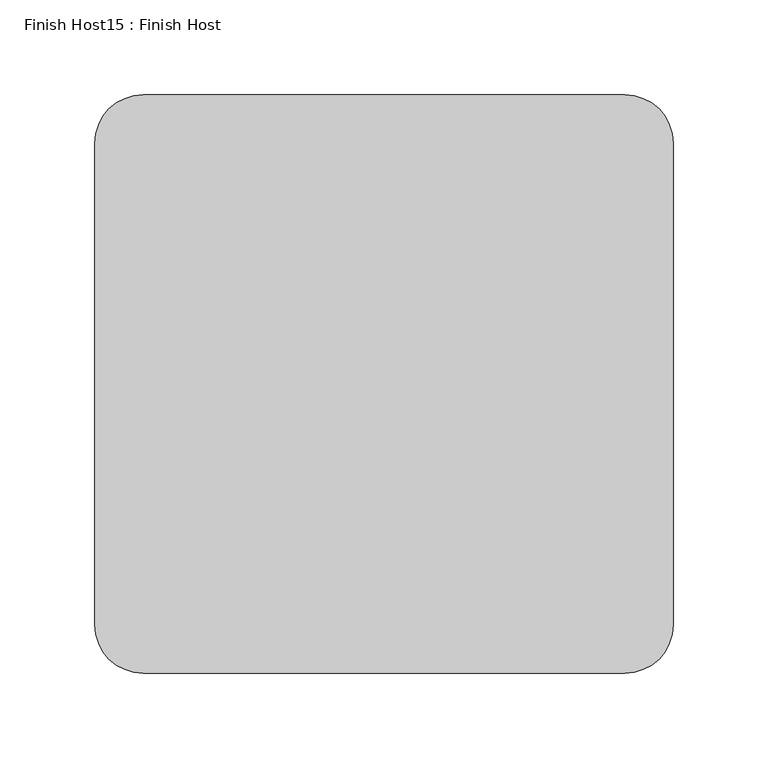
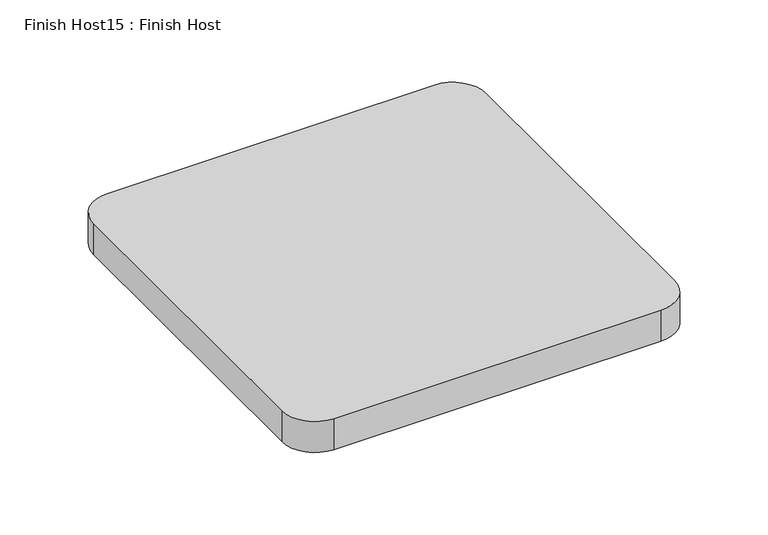
"""IFC4 building model written with IfcOpenShell, lengths in millimetres: proxy geometry, Finish Host15 : Finish Host."""

import ifcopenshell
import ifcopenshell.guid

model = None  # the IFC model being written
_history = None  # IfcOwnerHistory: only IFC2X3 demands one
_inside = {}  # id of a spatial element -> (the spatial element, [elements in it])
_under = {}  # id of a project, library or spatial element -> (it, [spatial elements below it])
_declared = {}  # id of a project -> (the project, [libraries it declares])
_typed = {}  # id of a type object -> (the type object, [elements of that type])
_made_of = {}  # id of a material, layer set ... -> (it, [elements and type objects made of it])


def new_model(schema):
    """Start an empty IFC model of exactly this schema.

    Asked for "IFC4X3", IfcOpenShell would pick the latest addendum, in which some entities
    have other attributes; the version numbers below select the first issue.
    IFC2X3 requires an IfcOwnerHistory on every rooted entity: one is made here for all.
    """
    global model, _history
    if schema == "IFC4X3":
        model = ifcopenshell.file(schema_version=(4, 3, 0, 0))
    else:
        model = ifcopenshell.file(schema=schema)
    _inside.clear()
    _under.clear()
    _declared.clear()
    _typed.clear()
    _made_of.clear()
    _history = None
    if model.schema == "IFC2X3":
        org = make("IfcOrganization", Name="unknown")
        user = make(
            "IfcPersonAndOrganization",
            ThePerson=make("IfcPerson", FamilyName="unknown"),
            TheOrganization=org,
        )
        app = make(
            "IfcApplication",
            ApplicationDeveloper=org,
            Version="unknown",
            ApplicationFullName="unknown",
            ApplicationIdentifier="unknown",
        )
        _history = make(
            "IfcOwnerHistory",
            OwningUser=user,
            OwningApplication=app,
            ChangeAction="ADDED",
            CreationDate=0,
        )
    return model


def make(cls, **values):
    """One entity of the class cls with the attributes given. An attribute that is None is left unset."""
    return model.create_entity(
        cls, **{name: value for name, value in values.items() if value is not None}
    )


def rooted(cls, **values):
    """An entity with a GlobalId (a new one), such as an element, a storey or a relation."""
    return make(cls, GlobalId=ifcopenshell.guid.new(), OwnerHistory=_history, **values)


def si_unit(unit_type, name, prefix=None):
    """IfcSIUnit, for example si_unit("LENGTHUNIT", "METRE", prefix="MILLI")."""
    return make("IfcSIUnit", UnitType=unit_type, Prefix=prefix, Name=name)


def assignment(units):
    """IfcUnitAssignment: the units of a project."""
    return None if units is None else make("IfcUnitAssignment", Units=units)


def point(xyz):
    """IfcCartesianPoint."""
    return None if xyz is None else make("IfcCartesianPoint", Coordinates=xyz)


def direction(xyz):
    """IfcDirection."""
    return None if xyz is None else make("IfcDirection", DirectionRatios=xyz)


def frame(location, z_axis=None, x_axis=None):
    """IfcAxis2Placement3D, a coordinate frame: its origin and axes. An axis left out is left unset."""
    return make(
        "IfcAxis2Placement3D",
        Location=point(location),
        Axis=direction(z_axis),
        RefDirection=direction(x_axis),
    )


def frame_2d(location, x_axis=None):
    """IfcAxis2Placement2D, a coordinate frame in the plane: its origin and x axis."""
    return make(
        "IfcAxis2Placement2D", Location=point(location), RefDirection=direction(x_axis)
    )


def origin():
    """The frame at (0, 0, 0) with its axes left unset."""
    return frame((0.0, 0.0, 0.0))


def origin_with_axes():
    """The frame at (0, 0, 0) with the z axis (0, 0, 1) and the x axis (1, 0, 0) written out."""
    return frame((0.0, 0.0, 0.0), z_axis=(0.0, 0.0, 1.0), x_axis=(1.0, 0.0, 0.0))


def place(relative_to, where):
    """IfcLocalPlacement: puts the frame where relative to a parent placement (None: the world)."""
    return make(
        "IfcLocalPlacement", PlacementRelTo=relative_to, RelativePlacement=where
    )


def context(
    kind, dimensions, precision=None, world=None, true_north=None, identifier=None
):
    """IfcGeometricRepresentationContext, for example the 3D "Model" context."""
    return make(
        "IfcGeometricRepresentationContext",
        ContextIdentifier=identifier,
        ContextType=kind,
        CoordinateSpaceDimension=dimensions,
        Precision=precision,
        WorldCoordinateSystem=world,
        TrueNorth=true_north,
    )


def project(units=None, contexts=None):
    """IfcProject with its units and contexts."""
    return rooted(
        "IfcProject",
        Name="project",
        RepresentationContexts=contexts,
        UnitsInContext=assignment(units),
    )


def spatial(cls, under=None, at=None, **own):
    """A site, building, storey or space (cls), placed at a placement, below another one or the project."""
    s = rooted(cls, ObjectPlacement=at, **own)
    if under is not None:
        _under.setdefault(under.id(), (under, []))[1].append(s)
    return s


def polyline(points):
    """IfcPolyline through the points."""
    return make("IfcPolyline", Points=[point(p) for p in points])


def circle_curve(where, radius):
    """IfcCircle in the frame where."""
    return make("IfcCircle", Position=where, Radius=radius)


def trimmed(basis, trim1, trim2, sense, master):
    """IfcTrimmedCurve: the piece of a basis curve between two trims."""
    return make(
        "IfcTrimmedCurve",
        BasisCurve=basis,
        Trim1=trim1,
        Trim2=trim2,
        SenseAgreement=sense,
        MasterRepresentation=master,
    )


def segment(curve, same_sense, transition):
    """IfcCompositeCurveSegment."""
    return make(
        "IfcCompositeCurveSegment",
        Transition=transition,
        SameSense=same_sense,
        ParentCurve=curve,
    )


def composite_curve(segments, self_intersect=None):
    """IfcCompositeCurve: segments joined end to end."""
    return make("IfcCompositeCurve", Segments=segments, SelfIntersect=self_intersect)


def outline(outer, holes=None, kind="AREA"):
    """IfcArbitraryClosedProfileDef: a profile drawn as a closed curve; with holes, ...WithVoids."""
    if holes is None:
        return make("IfcArbitraryClosedProfileDef", ProfileType=kind, OuterCurve=outer)
    return make(
        "IfcArbitraryProfileDefWithVoids",
        ProfileType=kind,
        OuterCurve=outer,
        InnerCurves=holes,
    )


def extrude(swept, where, along, depth):
    """IfcExtrudedAreaSolid: the profile swept, set in the frame where, extruded along a direction by depth."""
    return make(
        "IfcExtrudedAreaSolid",
        SweptArea=swept,
        Position=where,
        ExtrudedDirection=direction(along),
        Depth=depth,
    )


def shape(context_of_items, identifier, shape_type, items):
    """IfcShapeRepresentation: the items that make up one representation, for example the "Body"."""
    return make(
        "IfcShapeRepresentation",
        ContextOfItems=context_of_items,
        RepresentationIdentifier=identifier,
        RepresentationType=shape_type,
        Items=items,
    )


def source(mapping_origin, context_of_items, identifier, shape_type, items):
    """IfcRepresentationMap: a shape defined once, which mapped items show again and again."""
    return make(
        "IfcRepresentationMap",
        MappingOrigin=mapping_origin,
        MappedRepresentation=shape(context_of_items, identifier, shape_type, items),
    )


def transform(
    local_origin,
    x_axis=None,
    y_axis=None,
    z_axis=None,
    scale=None,
    scale2=None,
    scale3=None,
    uniform=True,
):
    """IfcCartesianTransformationOperator3D, or its non-uniform kind. x_axis, y_axis, z_axis: its Axis1, 2, 3."""
    if uniform:
        return make(
            "IfcCartesianTransformationOperator3D",
            Axis1=direction(x_axis),
            Axis2=direction(y_axis),
            LocalOrigin=point(local_origin),
            Scale=scale,
            Axis3=direction(z_axis),
        )
    return make(
        "IfcCartesianTransformationOperator3DnonUniform",
        Axis1=direction(x_axis),
        Axis2=direction(y_axis),
        LocalOrigin=point(local_origin),
        Scale=scale,
        Axis3=direction(z_axis),
        Scale2=scale2,
        Scale3=scale3,
    )


def mapped(mapping_source, mapping_target):
    """IfcMappedItem: shows the shape of a source again, moved by a transform."""
    return make(
        "IfcMappedItem", MappingSource=mapping_source, MappingTarget=mapping_target
    )


def made_of(thing, what):
    """Note that an element or type object is made of a material, layer set ...; save() writes the relation."""
    if what is not None:
        _made_of.setdefault(what.id(), (what, []))[1].append(thing)
    return thing


def element(
    cls,
    number,
    at=None,
    inside=None,
    cuts=None,
    type_object=None,
    material=None,
    context=None,
    identifier="Body",
    shape_type=None,
    held_by="IfcProductDefinitionShape",
    body=None,
    shapes=None,
    **own,
):
    """One element of the class cls, such as IfcWall. Its Tag is "e" and its number.

    at: its placement. inside: the storey or other place that contains it. cuts: it is an
    opening in that element (IfcRelVoidsElement). A single representation is given by context,
    identifier, shape_type and body (its items); several are given by shapes. held_by: the class
    of the entity that holds the representations. save() writes the other relations.
    """
    e = rooted(cls, Tag="e%d" % number, ObjectPlacement=at, **own)
    if body is not None:
        shapes = [shape(context, identifier, shape_type, body)]
    if shapes is not None:
        e.Representation = make(held_by, Representations=shapes)
    if inside is not None:
        _inside.setdefault(inside.id(), (inside, []))[1].append(e)
    if cuts is not None:
        rooted(
            "IfcRelVoidsElement", RelatingBuildingElement=cuts, RelatedOpeningElement=e
        )
    if type_object is not None:
        _typed.setdefault(type_object.id(), (type_object, []))[1].append(e)
    return made_of(e, material)


def aggregate(whole, parts):
    """IfcRelAggregates: a whole, such as a stair, and the parts it consists of."""
    return rooted("IfcRelAggregates", RelatingObject=whole, RelatedObjects=parts)


def save(model, path):
    """Write the relations noted so far, then the file.

    IfcRelAggregates (storeys below a building ...), IfcRelContainedInSpatialStructure (elements
    in a storey), IfcRelDefinesByType, IfcRelAssociatesMaterial and IfcRelDeclares: one each for
    every whole, place, type object, material and project.
    """
    for whole, parts in _under.values():
        aggregate(whole, parts)
    for where, things in _inside.values():
        rooted(
            "IfcRelContainedInSpatialStructure",
            RelatedElements=things,
            RelatingStructure=where,
        )
    for kind, things in _typed.values():
        rooted("IfcRelDefinesByType", RelatedObjects=things, RelatingType=kind)
    for what, things in _made_of.values():
        rooted("IfcRelAssociatesMaterial", RelatedObjects=things, RelatingMaterial=what)
    for by, libraries in _declared.values():
        rooted("IfcRelDeclares", RelatingContext=by, RelatedDefinitions=libraries)
    model.write(path)


def finish_host15_finish_host_5658b52d(model_context):
    return source(origin(), model_context, "Body", "SweptSolid", [
        extrude(outline(composite_curve([segment(polyline([(8048.7478493, 1206.8122951), (8048.7478493, 1460.8122951)]), True, "CONTINUOUS"), segment(trimmed(circle_curve(frame_2d((8074.1478493, 1460.8122951)), 25.4), [point((8048.7478493, 1460.8122951))], [point((8074.1478493, 1486.2122951))], False, "CARTESIAN"), True, "CONTINUOUS"), segment(polyline([(8074.1478493, 1486.2122951), (8328.1478493, 1486.2122951)]), True, "CONTINUOUS"), segment(trimmed(circle_curve(frame_2d((8328.1478493, 1460.8122951)), 25.4), [point((8328.1478493, 1486.2122951))], [point((8353.5478493, 1460.8122951))], False, "CARTESIAN"), True, "CONTINUOUS"), segment(polyline([(8353.5478493, 1460.8122951), (8353.5478493, 1206.8122951)]), True, "CONTINUOUS"), segment(trimmed(circle_curve(frame_2d((8328.1478493, 1206.8122951)), 25.4), [point((8353.5478493, 1206.8122951))], [point((8328.1478493, 1181.4122951))], False, "CARTESIAN"), True, "CONTINUOUS"), segment(polyline([(8328.1478493, 1181.4122951), (8074.1478493, 1181.4122951)]), True, "CONTINUOUS"), segment(trimmed(circle_curve(frame_2d((8074.1478493, 1206.8122951)), 25.4), [point((8074.1478493, 1181.4122951))], [point((8048.7478493, 1206.8122951))], False, "CARTESIAN"), True, "CONTINUOUS")], self_intersect=False)), origin_with_axes(), (0.0, 0.0, 1.0), 25.4),
    ])


if __name__ == "__main__":
    model = new_model("IFC4")
    model_context = context("Model", 3, world=origin())
    ifc_project = project(units=[si_unit("LENGTHUNIT", "METRE", prefix="MILLI")], contexts=[model_context])
    site = spatial("IfcSite", under=ifc_project)
    building = spatial("IfcBuilding", under=site)
    placement = place(None, origin())
    finish_host15_finish_host_shape = finish_host15_finish_host_5658b52d(model_context)
    element("IfcBuildingElementProxy", 1, Name="Finish Host15 : Finish Host", ObjectType="Finish Host15 : Finish Host", at=placement, inside=building, context=model_context, shape_type="MappedRepresentation", body=[
        mapped(finish_host15_finish_host_shape, transform((0.0, 0.0, 0.0), x_axis=(1.0, 0.0, 0.0), y_axis=(0.0, 1.0, 0.0), z_axis=(0.0, 0.0, 1.0))),
    ])
    save(model, "model.ifc")
